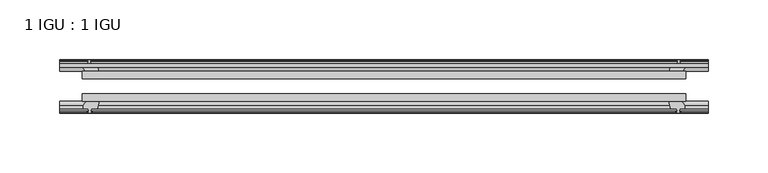
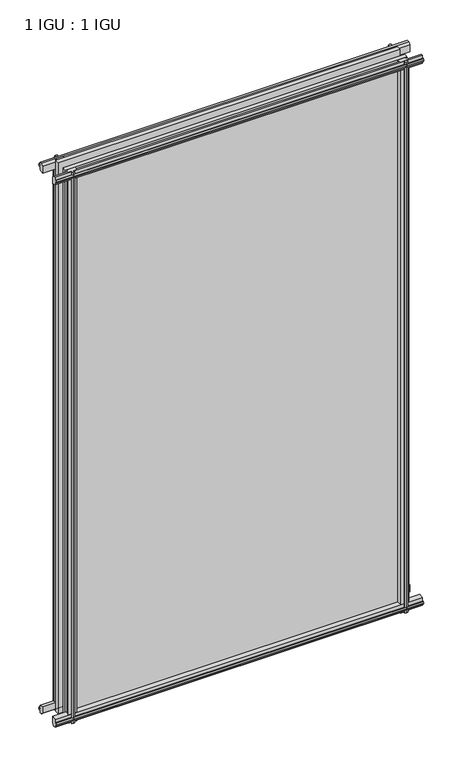
"""IFC4 building model written with IfcOpenShell, lengths in millimetres: plate geometry, 1 IGU : 1 IGU."""

from ifc_helpers import new_model, si_unit, frame, origin, place, context, project, spatial, polyline, outline, extrude, source, transform, mapped, element, save


def plate_1_igu_1_igu_788fa1a4(model_context):
    return source(origin(), model_context, "Body", "SweptSolid", [
        extrude(outline(polyline([(-253.519105, -38.6468937), (253.519105, -38.6468937), (253.519105, -44.9460938), (-253.519105, -44.9460938), (-253.519105, -38.6468937)])), frame((0.0, 0.0, -12.7), z_axis=(0.0, 0.0, 1.0), x_axis=(1.0, 0.0, 0.0)), (0.0, 0.0, 1.0), 863.5999996),
        extrude(outline(polyline([(-253.519105, -19.5460937), (253.519105, -19.5460937), (253.519105, -25.8960938), (-253.519105, -25.8960938), (-253.519105, -19.5460937)])), frame((0.0, 0.0, -12.7), z_axis=(0.0, 0.0, 1.0), x_axis=(1.0, 0.0, 0.0)), (0.0, 0.0, 1.0), 863.5999996),
        extrude(outline(polyline([(-44.9460937, 1.7177181), (-44.9460937, -9.1036578), (-48.3496937, -11.938), (-51.2960937, -11.938), (-51.2960937, -7.493), (-53.6762907, -7.112), (-53.2163575, -8.5275291), (-54.0175717, -8.5275291), (-54.7250937, -6.35), (-54.0175717, -4.1724709), (-53.2163575, -4.1724709), (-53.6762907, -5.588), (-51.2960937, -5.207), (-51.2960937, 0.0), (-44.9460937, 1.7177181)])), frame((-272.569105, 0.0, 0.0), z_axis=(1.0, 0.0, 0.0), x_axis=(0.0, 1.0, 0.0)), (0.0, 0.0, 1.0), 545.13821),
        extrude(outline(polyline([(-13.1960937, -12.4587), (-16.1424937, -12.4587), (-19.5460937, -9.6243578), (-19.5460937, 1.1970181), (-13.1960937, -0.5207), (-13.1960937, -5.7277), (-10.8158968, -6.1087), (-11.27583, -4.6931709), (-10.4746158, -4.6931709), (-9.7670937, -6.8707), (-10.4746158, -9.0482291), (-11.27583, -9.0482291), (-10.8158968, -7.6327), (-13.1960937, -8.0137), (-13.1960937, -12.4587)])), frame((-272.569105, 0.0, 0.0), z_axis=(1.0, 0.0, 0.0), x_axis=(0.0, 1.0, 0.0)), (0.0, 0.0, 1.0), 545.13821),
        extrude(outline(polyline([(-51.2960937, 850.1379996), (-48.3496937, 850.1379996), (-44.9460937, 847.3036575), (-44.9460937, 836.4822816), (-51.2960937, 838.1999996), (-51.2960937, 843.4069996), (-53.6762907, 843.7879996), (-53.2163575, 842.3724706), (-54.0175717, 842.3724706), (-54.7250937, 844.5499996), (-54.0175717, 846.7275287), (-53.2163575, 846.7275287), (-53.6762907, 845.3119996), (-51.2960937, 845.6929996), (-51.2960937, 850.1379996)])), frame((-272.569105, 0.0, 0.0), z_axis=(1.0, 0.0, 0.0), x_axis=(0.0, 1.0, 0.0)), (0.0, 0.0, 1.0), 545.13821),
        extrude(outline(polyline([(-19.5460937, 837.0029816), (-19.5460937, 847.8243575), (-16.1424937, 850.6586996), (-13.1960937, 850.6586996), (-13.1960937, 846.2136996), (-10.8158968, 845.8326996), (-11.27583, 847.2482287), (-10.4746158, 847.2482287), (-9.7670937, 845.0706996), (-10.4746158, 842.8931706), (-11.27583, 842.8931706), (-10.8158968, 844.3086996), (-13.1960937, 843.9276996), (-13.1960937, 838.7206996), (-19.5460937, 837.0029816)])), frame((-272.569105, 0.0, 0.0), z_axis=(1.0, 0.0, 0.0), x_axis=(0.0, 1.0, 0.0)), (0.0, 0.0, 1.0), 545.13821),
        extrude(outline(polyline([(239.6220869, -19.5460938), (241.339805, -13.1960938), (246.546805, -13.1960938), (246.927805, -10.8158968), (245.5122759, -11.27583), (245.5122759, -10.4746158), (247.689805, -9.7670938), (249.867334, -10.4746158), (249.867334, -11.27583), (248.451805, -10.8158968), (248.832805, -13.1960938), (253.277805, -13.1960938), (253.277805, -16.1424938), (250.4434628, -19.5460938), (239.6220869, -19.5460938)])), frame((0.0, 0.0, -12.7), z_axis=(0.0, 0.0, 1.0), x_axis=(1.0, 0.0, 0.0)), (0.0, 0.0, 1.0), 863.5999998),
        extrude(outline(polyline([(239.1013869, -44.9460938), (249.9227628, -44.9460938), (252.757105, -48.3496938), (252.757105, -51.2960938), (248.312105, -51.2960938), (247.931105, -53.6762907), (249.346634, -53.2163575), (249.346634, -54.0175717), (247.169105, -54.7250938), (244.9915759, -54.0175717), (244.9915759, -53.2163575), (246.407105, -53.6762907), (246.026105, -51.2960938), (240.819105, -51.2960938), (239.1013869, -44.9460938)])), frame((0.0, 0.0, -12.7), z_axis=(0.0, 0.0, 1.0), x_axis=(1.0, 0.0, 0.0)), (0.0, 0.0, 1.0), 863.5999998),
        extrude(outline(polyline([(-247.689805, -9.7670937), (-245.5122759, -10.4746158), (-245.5122759, -11.27583), (-246.927805, -10.8158968), (-246.546805, -13.1960937), (-241.339805, -13.1960937), (-239.6220869, -19.5460937), (-250.4434628, -19.5460937), (-253.277805, -16.1424937), (-253.277805, -13.1960937), (-248.832805, -13.1960937), (-248.451805, -10.8158968), (-249.867334, -11.27583), (-249.867334, -10.4746158), (-247.689805, -9.7670937)])), frame((0.0, 0.0, -12.7), z_axis=(0.0, 0.0, 1.0), x_axis=(1.0, 0.0, 0.0)), (0.0, 0.0, 1.0), 863.5999998),
        extrude(outline(polyline([(-252.757105, -48.3496937), (-249.9227628, -44.9460937), (-239.1013869, -44.9460937), (-240.819105, -51.2960937), (-246.026105, -51.2960937), (-246.407105, -53.6762907), (-244.9915759, -53.2163575), (-244.9915759, -54.0175717), (-247.169105, -54.7250937), (-249.346634, -54.0175717), (-249.346634, -53.2163575), (-247.931105, -53.6762907), (-248.312105, -51.2960937), (-252.757105, -51.2960937), (-252.757105, -48.3496937)])), frame((0.0, 0.0, -12.7), z_axis=(0.0, 0.0, 1.0), x_axis=(1.0, 0.0, 0.0)), (0.0, 0.0, 1.0), 863.5999998),
    ])


if __name__ == "__main__":
    model = new_model("IFC4")
    model_context = context("Model", 3, world=origin())
    ifc_project = project(units=[si_unit("LENGTHUNIT", "METRE", prefix="MILLI")], contexts=[model_context])
    site = spatial("IfcSite", under=ifc_project)
    building = spatial("IfcBuilding", under=site)
    placement = place(None, origin())
    plate_1_igu_1_igu_shape = plate_1_igu_1_igu_788fa1a4(model_context)
    element("IfcPlate", 1, ObjectType="1 IGU : 1 IGU", at=placement, inside=building, context=model_context, shape_type="MappedRepresentation", body=[
        mapped(plate_1_igu_1_igu_shape, transform((0.0, 0.0, 0.0), x_axis=(1.0, 0.0, 0.0), y_axis=(0.0, 1.0, 0.0), z_axis=(0.0, 0.0, 1.0))),
    ])
    save(model, "model.ifc")
